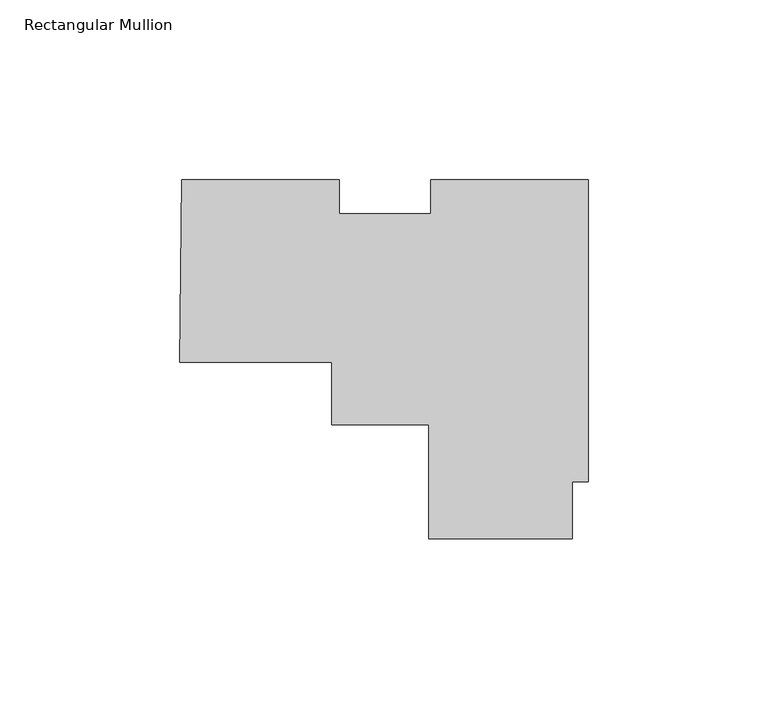
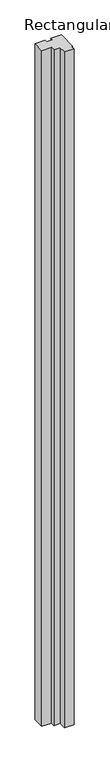
"""IFC4 building model written with IfcOpenShell, lengths in millimetres: member geometry, Rectangular Mullion."""

from ifc_helpers import new_model, si_unit, frame, origin, place, context, project, spatial, polyline, outline, extrude, source, transform, mapped, element, save


def rectangular_mullion_b830f75b(model_context):
    return source(origin(), model_context, "Body", "SweptSolid", [
        extrude(outline(polyline([(-113.7726661, -15.4620312), (-113.1146639, 35.3379688), (-69.3179001, 35.3379688), (-69.3179001, 25.8129688), (-43.8077678, 25.8129688), (-43.8077678, 35.3379688), (0.0, 35.3379688), (0.0, -48.8113107), (-4.436872, -48.8113107), (-4.436872, -64.6854011), (-44.4419775, -64.6854011), (-44.4419775, -32.9372312), (-71.4818384, -32.9372312), (-71.4818384, -15.4620312), (-113.7726661, -15.4620312)])), frame((0.0, 0.0, -3048.0), z_axis=(0.0, 0.0, 1.0), x_axis=(1.0, 0.0, 0.0)), (0.0, 0.0, 1.0), 3048.0),
    ])


if __name__ == "__main__":
    model = new_model("IFC4")
    model_context = context("Model", 3, world=origin())
    ifc_project = project(units=[si_unit("LENGTHUNIT", "METRE", prefix="MILLI")], contexts=[model_context])
    site = spatial("IfcSite", under=ifc_project)
    building = spatial("IfcBuilding", under=site)
    placement = place(None, origin())
    rectangular_mullion_shape = rectangular_mullion_b830f75b(model_context)
    element("IfcMember", 1, ObjectType="Rectangular Mullion", at=placement, inside=building, context=model_context, shape_type="MappedRepresentation", body=[
        mapped(rectangular_mullion_shape, transform((0.0, 0.0, 0.0), x_axis=(1.0, 0.0, 0.0), y_axis=(0.0, 1.0, 0.0), z_axis=(0.0, 0.0, 1.0))),
    ])
    save(model, "model.ifc")
